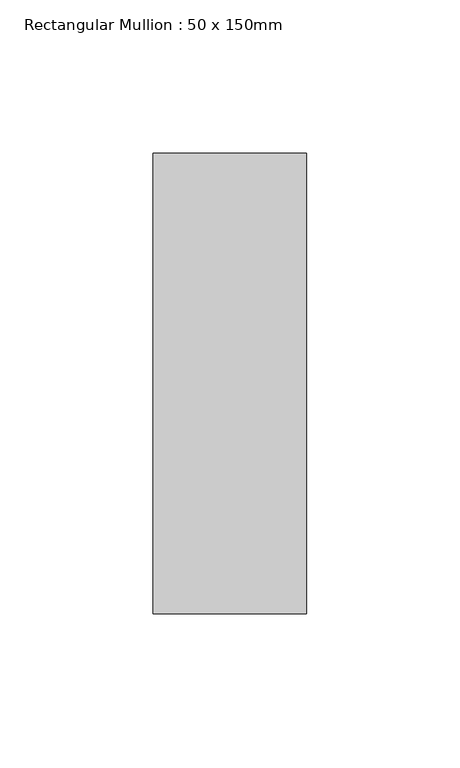
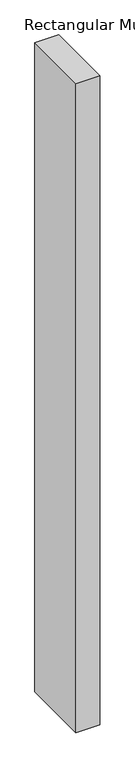
"""IFC4 building model written with IfcOpenShell, lengths in millimetres: member geometry, Rectangular Mullion : 50 x 150mm."""

from ifc_helpers import new_model, si_unit, frame, origin, place, context, project, spatial, polyline, outline, extrude, source, transform, mapped, element, save


def rectangular_mullion_50_x_150mm_bbdff43b(model_context):
    return source(origin(), model_context, "Body", "SweptSolid", [
        extrude(outline(polyline([(25.0, 75.0), (25.0, -75.0), (-25.0, -75.0), (-25.0, 75.0), (25.0, 75.0)])), frame((0.0, 0.0, -1449.9999999), z_axis=(0.0, 0.0, 1.0), x_axis=(1.0, 0.0, 0.0)), (0.0, 0.0, 1.0), 1449.9999999),
    ])


if __name__ == "__main__":
    model = new_model("IFC4")
    model_context = context("Model", 3, world=origin())
    ifc_project = project(units=[si_unit("LENGTHUNIT", "METRE", prefix="MILLI")], contexts=[model_context])
    site = spatial("IfcSite", under=ifc_project)
    building = spatial("IfcBuilding", under=site)
    placement = place(None, origin())
    rectangular_mullion_50_x_150mm_shape = rectangular_mullion_50_x_150mm_bbdff43b(model_context)
    element("IfcMember", 1, ObjectType="Rectangular Mullion : 50 x 150mm", at=placement, inside=building, context=model_context, shape_type="MappedRepresentation", body=[
        mapped(rectangular_mullion_50_x_150mm_shape, transform((0.0, 0.0, 0.0), x_axis=(1.0, 0.0, 0.0), y_axis=(0.0, 1.0, 0.0), z_axis=(0.0, 0.0, 1.0))),
    ])
    save(model, "model.ifc")
